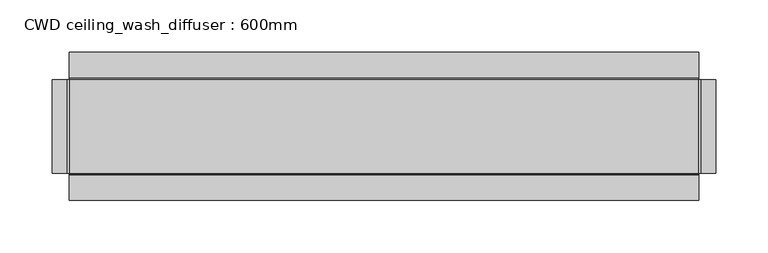
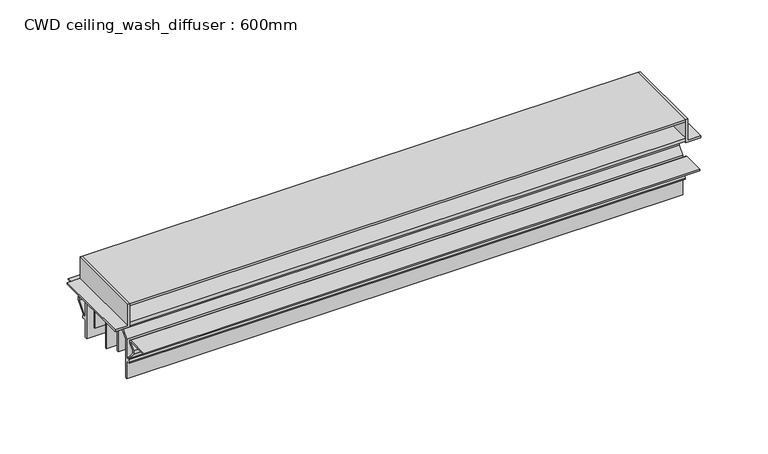
"""IFC4 building model written with IfcOpenShell, lengths in millimetres: air terminal geometry, CWD ceiling_wash_diffuser : 600mm."""

from ifc_helpers import new_model, si_unit, point, frame, frame_2d, origin, place, context, project, spatial, polyline, circle_curve, trimmed, segment, composite_curve, outline, extrude, source, transform, mapped, element, save


def cwd_ceiling_wash_diffuser_600mm_c5aab04e(model_context):
    return source(origin(), model_context, "Body", "SweptSolid", [
        extrude(outline(polyline([(26.3569948, 600.0), (0.0, 600.0), (0.0, 616.0), (2.0, 616.0), (2.0, 602.0), (26.3569948, 602.0), (26.3569948, 600.0)])), frame((0.0, -44.5, 0.0), z_axis=(0.0, 1.0, 0.0), x_axis=(0.0, 0.0, 1.0)), (0.0, 0.0, 1.0), 89.0),
        extrude(outline(polyline([(26.3569948, 0.0), (26.3569948, -2.0), (2.0, -2.0), (2.0, -16.0), (0.0, -16.0), (0.0, 0.0), (26.3569948, 0.0)])), frame((0.0, -44.5, 0.0), z_axis=(0.0, 1.0, 0.0), x_axis=(0.0, 0.0, 1.0)), (0.0, 0.0, 1.0), 89.0),
        extrude(outline(composite_curve([segment(polyline([(4.976135, 17.9643517), (24.5694984, 6.3518616), (23.87991, 5.1883424), (3.9032906, 17.0279787)]), True, "CONTINUOUS"), segment(trimmed(circle_curve(frame_2d((3.0183551, 19.1246783)), 2.2757987), [point((3.9032906, 17.0279787))], [point((4.976135, 17.9643517))], False, "CARTESIAN"), True, "CONTINUOUS")], self_intersect=False)), frame((0.0, 0.0, 0.0), z_axis=(1.0, 0.0, 0.0), x_axis=(0.0, 1.0, 0.0)), (0.0, 0.0, 1.0), 600.0),
        extrude(outline(polyline([(-41.5862301, 1.3613006), (-44.5, 1.3613006), (-44.5, 5.248779), (-21.2973622, 5.248779), (-21.2973622, -41.7022842), (-22.4637575, -41.7022842), (-22.4637575, 3.2977158), (-41.5862301, 3.2977158), (-41.5862301, 1.3613006)])), frame((0.0, 0.0, 0.0), z_axis=(1.0, 0.0, 0.0), x_axis=(0.0, 1.0, 0.0)), (0.0, 0.0, 1.0), 600.0),
        extrude(outline(composite_curve([segment(polyline([(-36.4230084, -62.751221), (-38.8217418, -62.751221), (-38.8217418, -42.7099488), (-43.0449067, -42.7099488), (-43.0449067, -41.3416697), (-42.1949907, -39.0065446)]), True, "CONTINUOUS"), segment(trimmed(circle_curve(frame_2d((-43.0547677, -38.6936114)), 0.9149556), [point((-42.1949907, -39.0065446))], [point((-42.35511, -38.1040158))], True, "CARTESIAN"), True, "CONTINUOUS"), segment(polyline([(-42.35511, -38.1040158), (-51.5, -27.2520124), (-51.5, -23.4425168), (-46.4280722, -17.8095703)]), True, "CONTINUOUS"), segment(trimmed(circle_curve(frame_2d((-47.1032232, -17.2016615)), 0.9085054), [point((-46.4280722, -17.8095703))], [point((-47.1032232, -16.2931561))], True, "CARTESIAN"), True, "CONTINUOUS"), segment(polyline([(-47.1032232, -16.2931561), (-70.4772102, -16.2931561), (-70.4772102, -14.8139096), (-45.9494094, -14.8139096)]), True, "CONTINUOUS"), segment(trimmed(circle_curve(frame_2d((-46.1577761, -16.7565975)), 1.9538303), [point((-45.9494094, -14.8139096))], [point((-44.7057971, -18.0639652))], False, "CARTESIAN"), True, "CONTINUOUS"), segment(polyline([(-44.7057971, -18.0639652), (-49.7, -23.6105894), (-49.7, -27.1376722), (-41.196048, -37.2290911), (-41.196048, -39.0477717), (-38.8217418, -39.0477717), (-38.8217418, -17.7965775), (-32.2759632, -10.5267538), (-32.2759632, 1.3613006), (-40.5563278, 1.3613006), (-40.5563278, 2.6595468), (-30.4809533, 2.6595468), (-30.4809533, -11.8271999), (-36.4230084, -18.4265206), (-36.4230084, -62.751221)]), True, "CONTINUOUS")], self_intersect=False)), frame((0.0, 0.0, 0.0), z_axis=(1.0, 0.0, 0.0), x_axis=(0.0, 1.0, 0.0)), (0.0, 0.0, 1.0), 600.0),
        extrude(outline(polyline([(41.5862301, 1.3613006), (41.5862301, 3.2977158), (22.4637575, 3.2977158), (22.4637575, -41.7022842), (21.2973622, -41.7022842), (21.2973622, 5.248779), (44.5, 5.248779), (44.5, 1.3613006), (41.5862301, 1.3613006)])), frame((0.0, 0.0, 0.0), z_axis=(1.0, 0.0, 0.0), x_axis=(0.0, 1.0, 0.0)), (0.0, 0.0, 1.0), 600.0),
        extrude(outline(composite_curve([segment(polyline([(36.4230084, -62.751221), (36.4230084, -18.4265206), (30.4809533, -11.8271999), (30.4809533, 2.6595468), (40.5563278, 2.6595468), (40.5563278, 1.3613006), (32.2759632, 1.3613006), (32.2759632, -10.5267538), (38.8217418, -17.7965775), (38.8217418, -39.0477717), (41.196048, -39.0477717), (41.196048, -37.2290911), (49.7, -27.1376722), (49.7, -23.6105894), (44.7057971, -18.0639652)]), True, "CONTINUOUS"), segment(trimmed(circle_curve(frame_2d((46.1577761, -16.7565975)), 1.9538303), [point((44.7057971, -18.0639652))], [point((45.9494094, -14.8139096))], False, "CARTESIAN"), True, "CONTINUOUS"), segment(polyline([(45.9494094, -14.8139096), (70.4772102, -14.8139096), (70.4772102, -16.2931561), (47.1032232, -16.2931561)]), True, "CONTINUOUS"), segment(trimmed(circle_curve(frame_2d((47.1032232, -17.2016615)), 0.9085054), [point((47.1032232, -16.2931561))], [point((46.4280722, -17.8095703))], True, "CARTESIAN"), True, "CONTINUOUS"), segment(polyline([(46.4280722, -17.8095703), (51.5, -23.4425168), (51.5, -27.2520124), (42.35511, -38.1040158)]), True, "CONTINUOUS"), segment(trimmed(circle_curve(frame_2d((43.0547677, -38.6936114)), 0.9149556), [point((42.35511, -38.1040158))], [point((42.1949907, -39.0065446))], True, "CARTESIAN"), True, "CONTINUOUS"), segment(polyline([(42.1949907, -39.0065446), (43.0449067, -41.3416697), (43.0449067, -42.7099488), (38.8217418, -42.7099488), (38.8217418, -62.751221), (36.4230084, -62.751221)]), True, "CONTINUOUS")], self_intersect=False)), frame((0.0, 0.0, 0.0), z_axis=(1.0, 0.0, 0.0), x_axis=(0.0, 1.0, 0.0)), (0.0, 0.0, 1.0), 600.0),
        extrude(outline(composite_curve([segment(polyline([(2.2569845, 23.7884434), (3.8766463, 20.3150675)]), True, "CONTINUOUS"), segment(trimmed(circle_curve(frame_2d((-0.0112463, 18.5021134)), 4.2898148), [point((3.8766463, 20.3150675))], [point((3.9662008, 16.8951205))], False, "CARTESIAN"), True, "CONTINUOUS"), segment(polyline([(3.9662008, 16.8951205), (0.7365421, 8.9014348), (0.7365421, -51.3932607), (-0.7365421, -51.3932607), (-0.7365421, 8.9014348), (-3.9662008, 16.8951205)]), True, "CONTINUOUS"), segment(trimmed(circle_curve(frame_2d((0.0112463, 18.5021134)), 4.2898148), [point((-3.9662008, 16.8951205))], [point((-3.8766463, 20.3150675))], False, "CARTESIAN"), True, "CONTINUOUS"), segment(polyline([(-3.8766463, 20.3150675), (-2.2569845, 23.7884434), (-44.5, 23.7884434), (-44.5, 26.3569948), (44.5, 26.3569948), (44.5, 23.7884434), (2.2569845, 23.7884434)]), True, "CONTINUOUS")], self_intersect=False)), frame((0.0, 0.0, 0.0), z_axis=(1.0, 0.0, 0.0), x_axis=(0.0, 1.0, 0.0)), (0.0, 0.0, 1.0), 600.0),
    ])


if __name__ == "__main__":
    model = new_model("IFC4")
    model_context = context("Model", 3, world=origin())
    ifc_project = project(units=[si_unit("LENGTHUNIT", "METRE", prefix="MILLI")], contexts=[model_context])
    site = spatial("IfcSite", under=ifc_project)
    building = spatial("IfcBuilding", under=site)
    placement = place(None, origin())
    cwd_ceiling_wash_diffuser_600mm_shape = cwd_ceiling_wash_diffuser_600mm_c5aab04e(model_context)
    element("IfcAirTerminal", 1, ObjectType="CWD ceiling_wash_diffuser : 600mm", at=placement, inside=building, context=model_context, shape_type="MappedRepresentation", body=[
        mapped(cwd_ceiling_wash_diffuser_600mm_shape, transform((0.0, 0.0, 0.0), x_axis=(1.0, 0.0, 0.0), y_axis=(0.0, 1.0, 0.0), z_axis=(0.0, 0.0, 1.0))),
    ])
    save(model, "model.ifc")
